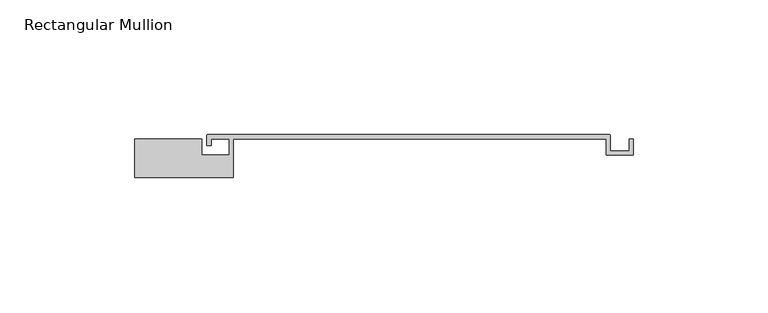
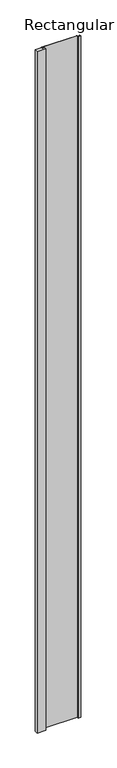
"""IFC4 building model written with IfcOpenShell, lengths in millimetres: member geometry, Rectangular Mullion."""

import ifcopenshell
import ifcopenshell.guid

model = None  # the IFC model being written
_history = None  # IfcOwnerHistory: only IFC2X3 demands one
_inside = {}  # id of a spatial element -> (the spatial element, [elements in it])
_under = {}  # id of a project, library or spatial element -> (it, [spatial elements below it])
_declared = {}  # id of a project -> (the project, [libraries it declares])
_typed = {}  # id of a type object -> (the type object, [elements of that type])
_made_of = {}  # id of a material, layer set ... -> (it, [elements and type objects made of it])


def new_model(schema):
    """Start an empty IFC model of exactly this schema.

    Asked for "IFC4X3", IfcOpenShell would pick the latest addendum, in which some entities
    have other attributes; the version numbers below select the first issue.
    IFC2X3 requires an IfcOwnerHistory on every rooted entity: one is made here for all.
    """
    global model, _history
    if schema == "IFC4X3":
        model = ifcopenshell.file(schema_version=(4, 3, 0, 0))
    else:
        model = ifcopenshell.file(schema=schema)
    _inside.clear()
    _under.clear()
    _declared.clear()
    _typed.clear()
    _made_of.clear()
    _history = None
    if model.schema == "IFC2X3":
        org = make("IfcOrganization", Name="unknown")
        user = make(
            "IfcPersonAndOrganization",
            ThePerson=make("IfcPerson", FamilyName="unknown"),
            TheOrganization=org,
        )
        app = make(
            "IfcApplication",
            ApplicationDeveloper=org,
            Version="unknown",
            ApplicationFullName="unknown",
            ApplicationIdentifier="unknown",
        )
        _history = make(
            "IfcOwnerHistory",
            OwningUser=user,
            OwningApplication=app,
            ChangeAction="ADDED",
            CreationDate=0,
        )
    return model


def make(cls, **values):
    """One entity of the class cls with the attributes given. An attribute that is None is left unset."""
    return model.create_entity(
        cls, **{name: value for name, value in values.items() if value is not None}
    )


def rooted(cls, **values):
    """An entity with a GlobalId (a new one), such as an element, a storey or a relation."""
    return make(cls, GlobalId=ifcopenshell.guid.new(), OwnerHistory=_history, **values)


def si_unit(unit_type, name, prefix=None):
    """IfcSIUnit, for example si_unit("LENGTHUNIT", "METRE", prefix="MILLI")."""
    return make("IfcSIUnit", UnitType=unit_type, Prefix=prefix, Name=name)


def assignment(units):
    """IfcUnitAssignment: the units of a project."""
    return None if units is None else make("IfcUnitAssignment", Units=units)


def point(xyz):
    """IfcCartesianPoint."""
    return None if xyz is None else make("IfcCartesianPoint", Coordinates=xyz)


def direction(xyz):
    """IfcDirection."""
    return None if xyz is None else make("IfcDirection", DirectionRatios=xyz)


def frame(location, z_axis=None, x_axis=None):
    """IfcAxis2Placement3D, a coordinate frame: its origin and axes. An axis left out is left unset."""
    return make(
        "IfcAxis2Placement3D",
        Location=point(location),
        Axis=direction(z_axis),
        RefDirection=direction(x_axis),
    )


def frame_2d(location, x_axis=None):
    """IfcAxis2Placement2D, a coordinate frame in the plane: its origin and x axis."""
    return make(
        "IfcAxis2Placement2D", Location=point(location), RefDirection=direction(x_axis)
    )


def origin():
    """The frame at (0, 0, 0) with its axes left unset."""
    return frame((0.0, 0.0, 0.0))


def place(relative_to, where):
    """IfcLocalPlacement: puts the frame where relative to a parent placement (None: the world)."""
    return make(
        "IfcLocalPlacement", PlacementRelTo=relative_to, RelativePlacement=where
    )


def context(
    kind, dimensions, precision=None, world=None, true_north=None, identifier=None
):
    """IfcGeometricRepresentationContext, for example the 3D "Model" context."""
    return make(
        "IfcGeometricRepresentationContext",
        ContextIdentifier=identifier,
        ContextType=kind,
        CoordinateSpaceDimension=dimensions,
        Precision=precision,
        WorldCoordinateSystem=world,
        TrueNorth=true_north,
    )


def project(units=None, contexts=None):
    """IfcProject with its units and contexts."""
    return rooted(
        "IfcProject",
        Name="project",
        RepresentationContexts=contexts,
        UnitsInContext=assignment(units),
    )


def spatial(cls, under=None, at=None, **own):
    """A site, building, storey or space (cls), placed at a placement, below another one or the project."""
    s = rooted(cls, ObjectPlacement=at, **own)
    if under is not None:
        _under.setdefault(under.id(), (under, []))[1].append(s)
    return s


def polyline(points):
    """IfcPolyline through the points."""
    return make("IfcPolyline", Points=[point(p) for p in points])


def circle_curve(where, radius):
    """IfcCircle in the frame where."""
    return make("IfcCircle", Position=where, Radius=radius)


def trimmed(basis, trim1, trim2, sense, master):
    """IfcTrimmedCurve: the piece of a basis curve between two trims."""
    return make(
        "IfcTrimmedCurve",
        BasisCurve=basis,
        Trim1=trim1,
        Trim2=trim2,
        SenseAgreement=sense,
        MasterRepresentation=master,
    )


def segment(curve, same_sense, transition):
    """IfcCompositeCurveSegment."""
    return make(
        "IfcCompositeCurveSegment",
        Transition=transition,
        SameSense=same_sense,
        ParentCurve=curve,
    )


def composite_curve(segments, self_intersect=None):
    """IfcCompositeCurve: segments joined end to end."""
    return make("IfcCompositeCurve", Segments=segments, SelfIntersect=self_intersect)


def outline(outer, holes=None, kind="AREA"):
    """IfcArbitraryClosedProfileDef: a profile drawn as a closed curve; with holes, ...WithVoids."""
    if holes is None:
        return make("IfcArbitraryClosedProfileDef", ProfileType=kind, OuterCurve=outer)
    return make(
        "IfcArbitraryProfileDefWithVoids",
        ProfileType=kind,
        OuterCurve=outer,
        InnerCurves=holes,
    )


def extrude(swept, where, along, depth):
    """IfcExtrudedAreaSolid: the profile swept, set in the frame where, extruded along a direction by depth."""
    return make(
        "IfcExtrudedAreaSolid",
        SweptArea=swept,
        Position=where,
        ExtrudedDirection=direction(along),
        Depth=depth,
    )


def shape(context_of_items, identifier, shape_type, items):
    """IfcShapeRepresentation: the items that make up one representation, for example the "Body"."""
    return make(
        "IfcShapeRepresentation",
        ContextOfItems=context_of_items,
        RepresentationIdentifier=identifier,
        RepresentationType=shape_type,
        Items=items,
    )


def source(mapping_origin, context_of_items, identifier, shape_type, items):
    """IfcRepresentationMap: a shape defined once, which mapped items show again and again."""
    return make(
        "IfcRepresentationMap",
        MappingOrigin=mapping_origin,
        MappedRepresentation=shape(context_of_items, identifier, shape_type, items),
    )


def transform(
    local_origin,
    x_axis=None,
    y_axis=None,
    z_axis=None,
    scale=None,
    scale2=None,
    scale3=None,
    uniform=True,
):
    """IfcCartesianTransformationOperator3D, or its non-uniform kind. x_axis, y_axis, z_axis: its Axis1, 2, 3."""
    if uniform:
        return make(
            "IfcCartesianTransformationOperator3D",
            Axis1=direction(x_axis),
            Axis2=direction(y_axis),
            LocalOrigin=point(local_origin),
            Scale=scale,
            Axis3=direction(z_axis),
        )
    return make(
        "IfcCartesianTransformationOperator3DnonUniform",
        Axis1=direction(x_axis),
        Axis2=direction(y_axis),
        LocalOrigin=point(local_origin),
        Scale=scale,
        Axis3=direction(z_axis),
        Scale2=scale2,
        Scale3=scale3,
    )


def mapped(mapping_source, mapping_target):
    """IfcMappedItem: shows the shape of a source again, moved by a transform."""
    return make(
        "IfcMappedItem", MappingSource=mapping_source, MappingTarget=mapping_target
    )


def made_of(thing, what):
    """Note that an element or type object is made of a material, layer set ...; save() writes the relation."""
    if what is not None:
        _made_of.setdefault(what.id(), (what, []))[1].append(thing)
    return thing


def element(
    cls,
    number,
    at=None,
    inside=None,
    cuts=None,
    type_object=None,
    material=None,
    context=None,
    identifier="Body",
    shape_type=None,
    held_by="IfcProductDefinitionShape",
    body=None,
    shapes=None,
    **own,
):
    """One element of the class cls, such as IfcWall. Its Tag is "e" and its number.

    at: its placement. inside: the storey or other place that contains it. cuts: it is an
    opening in that element (IfcRelVoidsElement). A single representation is given by context,
    identifier, shape_type and body (its items); several are given by shapes. held_by: the class
    of the entity that holds the representations. save() writes the other relations.
    """
    e = rooted(cls, Tag="e%d" % number, ObjectPlacement=at, **own)
    if body is not None:
        shapes = [shape(context, identifier, shape_type, body)]
    if shapes is not None:
        e.Representation = make(held_by, Representations=shapes)
    if inside is not None:
        _inside.setdefault(inside.id(), (inside, []))[1].append(e)
    if cuts is not None:
        rooted(
            "IfcRelVoidsElement", RelatingBuildingElement=cuts, RelatedOpeningElement=e
        )
    if type_object is not None:
        _typed.setdefault(type_object.id(), (type_object, []))[1].append(e)
    return made_of(e, material)


def aggregate(whole, parts):
    """IfcRelAggregates: a whole, such as a stair, and the parts it consists of."""
    return rooted("IfcRelAggregates", RelatingObject=whole, RelatedObjects=parts)


def save(model, path):
    """Write the relations noted so far, then the file.

    IfcRelAggregates (storeys below a building ...), IfcRelContainedInSpatialStructure (elements
    in a storey), IfcRelDefinesByType, IfcRelAssociatesMaterial and IfcRelDeclares: one each for
    every whole, place, type object, material and project.
    """
    for whole, parts in _under.values():
        aggregate(whole, parts)
    for where, things in _inside.values():
        rooted(
            "IfcRelContainedInSpatialStructure",
            RelatedElements=things,
            RelatingStructure=where,
        )
    for kind, things in _typed.values():
        rooted("IfcRelDefinesByType", RelatedObjects=things, RelatingType=kind)
    for what, things in _made_of.values():
        rooted("IfcRelAssociatesMaterial", RelatedObjects=things, RelatingMaterial=what)
    for by, libraries in _declared.values():
        rooted("IfcRelDeclares", RelatingContext=by, RelatedDefinitions=libraries)
    model.write(path)


def rectangular_mullion_64892b62(model_context):
    return source(origin(), model_context, "Body", "SweptSolid", [
        extrude(outline(composite_curve([segment(polyline([(-135.3, 14.2), (-110.3, 14.2), (-110.3, 8.2), (-100.1, 8.2), (-100.1, 14.2), (-106.8, 14.2), (-106.8, 11.8), (-108.4, 11.8), (-108.4, 15.5)]), True, "CONTINUOUS"), segment(trimmed(circle_curve(frame_2d((-107.9, 15.5)), 0.5), [point((-108.4, 15.5))], [point((-107.9, 16.0))], False, "CARTESIAN"), True, "CONTINUOUS"), segment(polyline([(-107.9, 16.0), (41.1, 16.0)]), True, "CONTINUOUS"), segment(trimmed(circle_curve(frame_2d((41.1, 15.5)), 0.5), [point((41.1, 16.0))], [point((41.6, 15.5))], False, "CARTESIAN"), True, "CONTINUOUS"), segment(polyline([(41.6, 15.5), (41.6, 9.8), (48.6, 9.8), (48.6, 14.2), (50.2, 14.2), (50.2, 8.2), (40.0, 8.2), (40.0, 14.2), (-98.5, 14.2), (-98.5, 0.0), (-135.3, 0.0), (-135.3, 14.2)]), True, "CONTINUOUS")], self_intersect=False)), frame((0.0, 0.0, -3000.0), z_axis=(0.0, 0.0, 1.0), x_axis=(1.0, 0.0, 0.0)), (0.0, 0.0, 1.0), 3000.0),
    ])


if __name__ == "__main__":
    model = new_model("IFC4")
    model_context = context("Model", 3, world=origin())
    ifc_project = project(units=[si_unit("LENGTHUNIT", "METRE", prefix="MILLI")], contexts=[model_context])
    site = spatial("IfcSite", under=ifc_project)
    building = spatial("IfcBuilding", under=site)
    placement = place(None, origin())
    rectangular_mullion_shape = rectangular_mullion_64892b62(model_context)
    element("IfcMember", 1, ObjectType="Rectangular Mullion", at=placement, inside=building, context=model_context, shape_type="MappedRepresentation", body=[
        mapped(rectangular_mullion_shape, transform((0.0, 0.0, 0.0), x_axis=(1.0, 0.0, 0.0), y_axis=(0.0, 1.0, 0.0), z_axis=(0.0, 0.0, 1.0))),
    ])
    save(model, "model.ifc")
